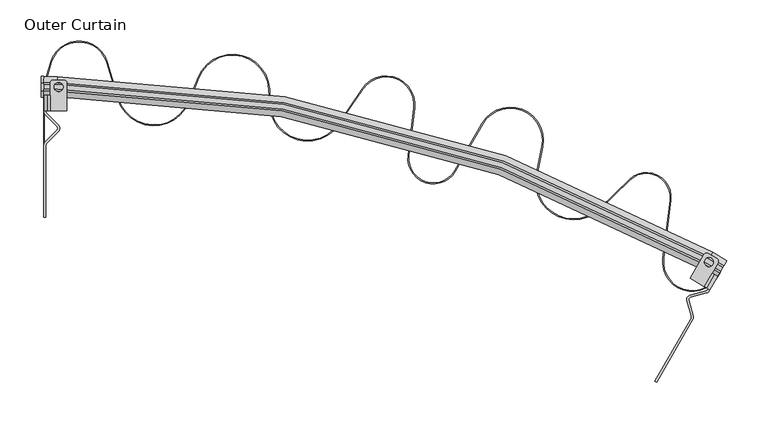
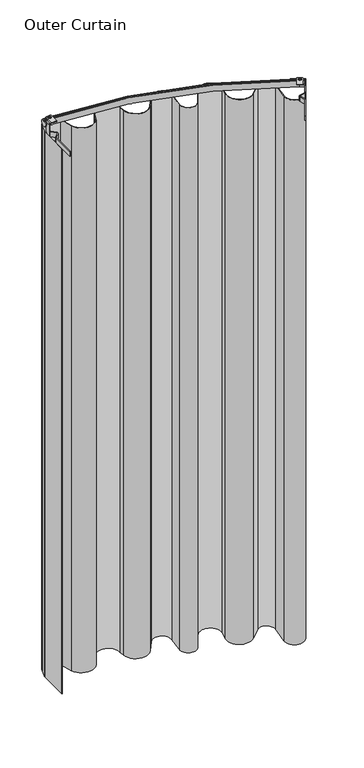
"""IFC4 building model written with IfcOpenShell, lengths in millimetres: furniture geometry, Outer Curtain."""

from ifc_helpers import new_model, si_unit, point, frame, frame_2d, origin, origin_with_axes, place, context, project, spatial, polyline, circle_curve, ellipse_curve, trimmed, segment, composite_curve, outline, extrude, source, transform, mapped, element, save
from ifc_brep_helpers import plane_surface, cylinder_surface, revolved_surface, advanced_brep


def outer_curtain_b9163352(model_context):
    return source(origin(), model_context, "Body", "SolidModel", [
        extrude(outline(composite_curve([segment(trimmed(circle_curve(frame_2d((42.5957984, 467.0599801)), 35.0), [point((76.1040809, 477.1691346))], [point((9.0875159, 477.1691346))], True, "CARTESIAN"), True, "CONTINUOUS"), segment(polyline([(9.0875159, 477.1691346), (1.3097895, 451.3887139)]), True, "CONTINUOUS"), segment(trimmed(circle_curve(frame_2d((19.5, 445.9008872)), 19.0), [point((1.3097895, 451.3887139))], [point((0.5, 445.9008872))], True, "CARTESIAN"), True, "CONTINUOUS"), segment(polyline([(0.5, 445.9008872), (0.5, 337.8741988), (-0.5, 337.8741988), (-0.5, 445.9008872)]), True, "CONTINUOUS"), segment(trimmed(circle_curve(frame_2d((19.5, 445.9008872)), 20.0), [point((-0.5, 445.9008872))], [point((0.35241, 451.6775469))], False, "CARTESIAN"), True, "CONTINUOUS"), segment(polyline([(0.35241, 451.6775469), (8.1301364, 477.4579676)]), True, "CONTINUOUS"), segment(trimmed(circle_curve(frame_2d((42.5957984, 467.0599801)), 36.0), [point((8.1301364, 477.4579676))], [point((77.0614604, 477.4579676))], False, "CARTESIAN"), True, "CONTINUOUS"), segment(polyline([(77.0614604, 477.4579676), (90.4160555, 433.1921939)]), True, "CONTINUOUS"), segment(trimmed(circle_curve(frame_2d((133.498133, 446.1896783)), 45.0), [point((90.4160555, 433.1921939))], [point((175.2214064, 429.3323816))], True, "CARTESIAN"), True, "CONTINUOUS"), segment(polyline([(175.2214064, 429.3323816), (187.1951251, 458.9683753)]), True, "CONTINUOUS"), segment(trimmed(circle_curve(frame_2d((228.9183986, 442.1110786)), 45.0), [point((187.1951251, 458.9683753))], [point((273.8509021, 444.5748418))], False, "CARTESIAN"), True, "CONTINUOUS"), segment(polyline([(273.8509021, 444.5748418), (274.9175266, 425.1224404)]), True, "CONTINUOUS"), segment(trimmed(circle_curve(frame_2d((319.8500301, 427.5862037)), 45.0), [point((274.9175266, 425.1224404))], [point((357.1272127, 402.3788304))], True, "CARTESIAN"), True, "CONTINUOUS"), segment(polyline([(357.1272127, 402.3788304), (386.1550371, 445.3057749)]), True, "CONTINUOUS"), segment(trimmed(circle_curve(frame_2d((415.1484012, 425.7000401)), 35.0), [point((386.1550371, 445.3057749))], [point((449.882938, 421.3974875))], False, "CARTESIAN"), True, "CONTINUOUS"), segment(polyline([(449.882938, 421.3974875), (442.8274517, 364.4384983)]), True, "CONTINUOUS"), segment(trimmed(circle_curve(frame_2d((472.5999118, 360.7505961)), 30.0), [point((442.8274517, 364.4384983))], [point((498.5806739, 345.7505961))], True, "CARTESIAN"), True, "CONTINUOUS"), segment(polyline([(498.5806739, 345.7505961), (531.439005, 402.662895)]), True, "CONTINUOUS"), segment(trimmed(circle_curve(frame_2d((566.0800211, 382.662895)), 40.0), [point((531.439005, 402.662895))], [point((605.2774923, 374.6905522))], False, "CARTESIAN"), True, "CONTINUOUS"), segment(polyline([(605.2774923, 374.6905522), (598.4586195, 341.1643256)]), True, "CONTINUOUS"), segment(trimmed(circle_curve(frame_2d((642.5557746, 332.1954399)), 45.0), [point((598.4586195, 341.1643256))], [point((673.833081, 299.8422314))], True, "CARTESIAN"), True, "CONTINUOUS"), segment(polyline([(673.833081, 299.8422314), (710.1607908, 334.9618676)]), True, "CONTINUOUS"), segment(trimmed(circle_curve(frame_2d((731.0123285, 313.3930619)), 30.0), [point((710.1607908, 334.9618676))], [point((760.7847885, 309.7051597))], False, "CARTESIAN"), True, "CONTINUOUS"), segment(polyline([(760.7847885, 309.7051597), (752.0934658, 239.5400517)]), True, "CONTINUOUS"), segment(trimmed(circle_curve(frame_2d((786.8280026, 235.2374991)), 35.0), [point((752.0934658, 239.5400517))], [point((817.1388917, 217.7374991))], True, "CARTESIAN"), True, "CONTINUOUS"), segment(polyline([(817.1388917, 217.7374991), (819.7915966, 222.3321188), (820.657622, 221.8321188), (818.0049171, 217.2374991)]), True, "CONTINUOUS"), segment(trimmed(circle_curve(frame_2d((786.8280026, 235.2374991)), 36.0), [point((818.0049171, 217.2374991))], [point((751.1010505, 239.6629818))], False, "CARTESIAN"), True, "CONTINUOUS"), segment(polyline([(751.1010505, 239.6629818), (759.7923732, 309.8280898)]), True, "CONTINUOUS"), segment(trimmed(circle_curve(frame_2d((731.0123285, 313.3930619)), 29.0), [point((759.7923732, 309.8280898))], [point((710.8558421, 334.2429074))], True, "CARTESIAN"), True, "CONTINUOUS"), segment(polyline([(710.8558421, 334.2429074), (674.5281323, 299.1232712)]), True, "CONTINUOUS"), segment(trimmed(circle_curve(frame_2d((642.5557746, 332.1954399)), 46.0), [point((674.5281323, 299.1232712))], [point((597.4786827, 341.3636342))], False, "CARTESIAN"), True, "CONTINUOUS"), segment(polyline([(597.4786827, 341.3636342), (604.2975556, 374.8898607)]), True, "CONTINUOUS"), segment(trimmed(circle_curve(frame_2d((566.0800211, 382.662895)), 39.0), [point((604.2975556, 374.8898607))], [point((532.3050304, 402.162895))], True, "CARTESIAN"), True, "CONTINUOUS"), segment(polyline([(532.3050304, 402.162895), (499.4466993, 345.2505961)]), True, "CONTINUOUS"), segment(trimmed(circle_curve(frame_2d((472.5999118, 360.7505961)), 31.0), [point((499.4466993, 345.2505961))], [point((441.8350364, 364.5614284))], False, "CARTESIAN"), True, "CONTINUOUS"), segment(polyline([(441.8350364, 364.5614284), (448.8905226, 421.5204176)]), True, "CONTINUOUS"), segment(trimmed(circle_curve(frame_2d((415.1484012, 425.7000401)), 34.0), [point((448.8905226, 421.5204176))], [point((386.9834189, 444.745611))], True, "CARTESIAN"), True, "CONTINUOUS"), segment(polyline([(386.9834189, 444.745611), (357.9555945, 401.8186666)]), True, "CONTINUOUS"), segment(trimmed(circle_curve(frame_2d((319.8500301, 427.5862037)), 46.0), [point((357.9555945, 401.8186666))], [point((273.9190266, 425.0676902))], False, "CARTESIAN"), True, "CONTINUOUS"), segment(polyline([(273.9190266, 425.0676902), (272.852402, 444.5200915)]), True, "CONTINUOUS"), segment(trimmed(circle_curve(frame_2d((228.9183986, 442.1110786)), 44.0), [point((272.852402, 444.5200915))], [point((188.122309, 458.5937687))], True, "CARTESIAN"), True, "CONTINUOUS"), segment(polyline([(188.122309, 458.5937687), (176.1485903, 428.957775)]), True, "CONTINUOUS"), segment(trimmed(circle_curve(frame_2d((133.498133, 446.1896783)), 46.0), [point((176.1485903, 428.957775))], [point((89.458676, 432.9033609))], False, "CARTESIAN"), True, "CONTINUOUS"), segment(polyline([(89.458676, 432.9033609), (76.1040809, 477.1691346)]), True, "CONTINUOUS")], self_intersect=False)), origin_with_axes(), (0.0, 0.0, 1.0), 2097.5013525),
        extrude(outline(composite_curve([segment(polyline([(340.8986475, 0.0), (340.8986475, -5.5297915)]), True, "CONTINUOUS"), segment(trimmed(circle_curve(frame_2d((327.6985931, -5.5297915)), 13.2000544), [point((340.8986475, -5.5297915))], [point((327.6985931, -18.7298459))], False, "CARTESIAN"), True, "CONTINUOUS"), segment(polyline([(327.6985931, -18.7298459), (314.449003, -18.7298459)]), True, "CONTINUOUS"), segment(trimmed(circle_curve(frame_2d((306.6253516, -28.3883996)), 12.4296895), [point((314.449003, -18.7298459))], [point((298.6840186, -18.8263699))], True, "CARTESIAN"), True, "CONTINUOUS"), segment(polyline([(298.6840186, -18.8263699), (298.6840186, 0.0), (340.8986475, 0.0)]), True, "CONTINUOUS")], self_intersect=False)), frame((808.1824004, 201.2243016, 2438.4), z_axis=(-0.8660254041587455, 0.49999999935168166, 0.0), x_axis=(0.0, 0.0, -1.0)), (0.0, 0.0, 1.0), 2.45),
        extrude(outline(composite_curve([segment(trimmed(circle_curve(frame_2d((780.5221736, 168.2153832)), 5.0), [point((784.8523006, 165.7153832))], [point((785.3486237, 169.5212849))], True, "CARTESIAN"), True, "CONTINUOUS"), segment(polyline([(785.3486237, 169.5212849), (780.2499341, 188.3654079)]), True, "CONTINUOUS"), segment(trimmed(circle_curve(frame_2d((785.0763843, 189.6713096)), 5.0), [point((780.2499341, 188.3654079))], [point((783.7705027, 194.4977651))], False, "CARTESIAN"), True, "CONTINUOUS"), segment(polyline([(783.7705027, 194.4977651), (803.7503841, 199.9036698)]), True, "CONTINUOUS"), segment(trimmed(circle_curve(frame_2d((803.0974433, 202.3168976)), 2.5), [point((803.7503841, 199.9036698))], [point((805.2625069, 201.0668976))], True, "CARTESIAN"), True, "CONTINUOUS"), segment(polyline([(805.2625069, 201.0668976), (806.0606382, 202.4493016), (808.1824004, 201.2243016), (807.3945887, 199.8597717)]), True, "CONTINUOUS"), segment(trimmed(circle_curve(frame_2d((803.0644617, 202.3597717)), 5.0), [point((807.3945887, 199.8597717))], [point((804.3703432, 197.5333161))], False, "CARTESIAN"), True, "CONTINUOUS"), segment(polyline([(804.3703432, 197.5333161), (784.3621199, 192.119743)]), True, "CONTINUOUS"), segment(trimmed(circle_curve(frame_2d((785.0150607, 189.7065152)), 2.5), [point((784.3621199, 192.119743))], [point((782.6018356, 189.0535644))], True, "CARTESIAN"), True, "CONTINUOUS"), segment(polyline([(782.6018356, 189.0535644), (787.9795532, 169.1781885)]), True, "CONTINUOUS"), segment(trimmed(circle_curve(frame_2d((783.1531031, 167.8722868)), 5.0), [point((787.9795532, 169.1781885))], [point((787.4832301, 165.3722868))], False, "CARTESIAN"), True, "CONTINUOUS"), segment(polyline([(787.4832301, 165.3722868), (743.4550059, 89.1131655), (741.3332437, 90.3381655), (784.8523006, 165.7153832)]), True, "CONTINUOUS")], self_intersect=False)), frame((0.0, 0.0, 2097.5013525), z_axis=(0.0, 0.0, 1.0), x_axis=(1.0, 0.0, 0.0)), (0.0, 0.0, 1.0), 18.8933106),
        extrude(outline(composite_curve([segment(polyline([(2.45, 0.0), (2.45, -1.5759522)]), True, "CONTINUOUS"), segment(trimmed(circle_curve(frame_2d((-2.2594196, -1.5759522)), 4.7094196), [point((2.45, -1.5759522))], [point((-2.2594196, -6.2853718))], False, "CARTESIAN"), True, "CONTINUOUS"), segment(polyline([(-2.2594196, -6.2853718), (-5.3457178, -6.2853718), (-5.3457178, -3.8354214), (-2.7023301, -3.8354214)]), True, "CONTINUOUS"), segment(trimmed(circle_curve(frame_2d((-2.7023301, -1.1330913)), 2.7023301), [point((-2.7023301, -3.8354214))], [point((0.0, -1.1330913))], True, "CARTESIAN"), True, "CONTINUOUS"), segment(polyline([(0.0, -1.1330913), (0.0, 0.0), (2.45, 0.0)]), True, "CONTINUOUS")], self_intersect=False)), frame((806.0606382, 202.4493016, 2139.7159814), z_axis=(0.4999999993516811, 0.8660254041587457, 0.0), x_axis=(0.8660254041587457, -0.4999999993516811, 0.0)), (0.0, 0.0, 1.0), 18.7298458),
        extrude(outline(composite_curve([segment(polyline([(801.4311108, 205.1221605), (784.1106027, 215.1221605), (800.7342244, 243.915118)]), True, "CONTINUOUS"), segment(trimmed(circle_curve(frame_2d((803.9842234, 242.0387302)), 3.7527756), [point((800.7342244, 243.915118))], [point((805.8502397, 245.2946951))], False, "CARTESIAN"), True, "CONTINUOUS"), segment(polyline([(805.8502397, 245.2946951), (816.3907074, 239.2091533)]), True, "CONTINUOUS"), segment(trimmed(circle_curve(frame_2d((814.816152, 235.8057322)), 3.75), [point((816.3907074, 239.2091533))], [point((818.0637473, 233.9307322))], False, "CARTESIAN"), True, "CONTINUOUS"), segment(polyline([(818.0637473, 233.9307322), (801.4311108, 205.1221605)]), True, "CONTINUOUS")], self_intersect=False), holes=[composite_curve([segment(trimmed(circle_curve(frame_2d((807.0144732, 234.7928281)), 5.4886758), [point((811.7678059, 232.0484902))], [point((802.2611405, 237.537166))], True, "CARTESIAN"), True, "CONTINUOUS"), segment(trimmed(circle_curve(frame_2d((807.0144732, 234.7928281)), 5.4886758), [point((802.2611405, 237.537166))], [point((811.7678059, 232.0484902))], True, "CARTESIAN"), True, "CONTINUOUS")], self_intersect=False)]), frame((0.0, 0.0, 2143.5514028), z_axis=(0.0, 0.0, 1.0), x_axis=(1.0, 0.0, 0.0)), (0.0, 0.0, 1.0), 2.4499504),
        advanced_brep(
        [(0.0, 442.4224847, 2120.279958), (0.0, 442.4224847, 2143.2693388), (0.0, 444.4967404, 2143.2693388), (0.0, 444.4967404, 2141.8304958), (0.0, 450.509432, 2141.8304958), (0.0, 450.509432, 2143.2693388), (0.0, 452.5106226, 2143.2693388), (0.0, 452.5106226, 2120.279958), (16.273869, 442.4224847, 2120.279958), (16.273869, 442.4224847, 2143.2693388), (802.8348362, 231.6641087, 2143.2693388), (820.0263326, 221.7385937, 2143.2693388), (821.0634604, 223.5349518, 2143.2693388), (803.871964, 233.4604668, 2143.2693388), (16.273869, 444.4967404, 2143.2693388), (16.273869, 444.4967404, 2141.8304958), (803.871964, 233.4604668, 2141.8304958), (821.0634604, 223.5349518, 2141.8304958), (824.0698063, 228.7420955, 2141.8304958), (806.8783099, 238.6676106, 2141.8304958), (16.273869, 450.509432, 2141.8304958), (16.273869, 450.509432, 2143.2693388), (806.8783099, 238.6676106, 2143.2693388), (824.0698063, 228.7420955, 2143.2693388), (825.0704015, 230.4751773, 2143.2693388), (807.8789051, 240.4006924, 2143.2693388), (16.273869, 452.5106226, 2143.2693388), (16.273869, 452.5106226, 2120.279958), (807.8789051, 240.4006924, 2120.279958), (825.0704015, 230.4751773, 2120.279958), (820.0263326, 221.7385937, 2120.279958), (802.8348362, 231.6641087, 2120.279958)],
        [
            (0, 1, circle_curve(frame((0.0, 447.9278494, 2131.7746484), z_axis=(-1.0, 0.0, 0.0), x_axis=(0.0, -1.0, 0.0)), 12.7450754)),
            (1, 2),
            (2, 3),
            (3, 4),
            (4, 5),
            (5, 6),
            (6, 7, circle_curve(frame((0.0, 447.1329645, 2131.7746484), z_axis=(-1.0, 0.0, 0.0), x_axis=(0.0, -1.0, 0.0)), 12.6904339)),
            (7, 0),
            (0, 8),
            (8, 9, circle_curve(frame((16.273869, 447.9278494, 2131.7746484), z_axis=(-1.0, 0.0, 0.0), x_axis=(0.0, -1.0, 0.0)), 12.7450754)),
            (9, 1),
            (9, 10, circle_curve(frame((16.273869, -1130.6994497, 2143.2693388), z_axis=(0.0, 0.0, -1.0), x_axis=(0.0, 1.0, 0.0)), 1573.1219344)),
            (10, 11),
            (11, 12),
            (12, 13),
            (13, 14, circle_curve(frame((16.273869, -1130.6994497, 2143.2693388), z_axis=(0.0, 0.0, 1.0), x_axis=(0.0, 1.0, 0.0)), 1575.1961901)),
            (14, 2),
            (14, 15),
            (15, 3),
            (15, 16, circle_curve(frame((16.273869, -1130.6994497, 2141.8304958), z_axis=(0.0, 0.0, -1.0), x_axis=(0.0, 1.0, 0.0)), 1575.1961901)),
            (16, 17),
            (17, 18),
            (18, 19),
            (19, 20, circle_curve(frame((16.273869, -1130.6994497, 2141.8304958), z_axis=(0.0, 0.0, 1.0), x_axis=(0.0, 1.0, 0.0)), 1581.2088818)),
            (20, 4),
            (20, 21),
            (21, 5),
            (21, 22, circle_curve(frame((16.273869, -1130.6994497, 2143.2693388), z_axis=(0.0, 0.0, -1.0), x_axis=(0.0, 1.0, 0.0)), 1581.2088818)),
            (22, 23),
            (23, 24),
            (24, 25),
            (25, 26, circle_curve(frame((16.273869, -1130.6994497, 2143.2693388), z_axis=(0.0, 0.0, 1.0), x_axis=(0.0, 1.0, 0.0)), 1583.2100723)),
            (26, 6),
            (26, 27, circle_curve(frame((16.273869, 447.1329645, 2131.7746484), z_axis=(-1.0, 0.0, 0.0), x_axis=(0.0, -1.0, 0.0)), 12.6904339)),
            (27, 7),
            (27, 28, circle_curve(frame((16.273869, -1130.6994497, 2120.279958), z_axis=(0.0, 0.0, -1.0), x_axis=(0.0, 1.0, 0.0)), 1583.2100723)),
            (28, 29),
            (29, 30),
            (30, 31),
            (31, 8, circle_curve(frame((16.273869, -1130.6994497, 2120.279958), z_axis=(0.0, 0.0, 1.0), x_axis=(0.0, 1.0, 0.0)), 1573.1219344)),
            (31, 10, circle_curve(frame((805.5875185, 236.4318944, 2131.7746484), z_axis=(-0.8660254037844397, 0.4999999999999981, 0.0), x_axis=(-0.4999999999999981, -0.8660254037844397, 0.0)), 12.7450754)),
            (13, 16),
            (19, 22),
            (25, 28, circle_curve(frame((805.1900761, 235.7435039, 2131.7746484), z_axis=(-0.8660254037844397, 0.4999999999999981, 0.0), x_axis=(-0.4999999999999981, -0.8660254037844397, 0.0)), 12.6904339)),
            (29, 24, circle_curve(frame((822.3815725, 225.8179888, 2131.7746484), z_axis=(0.8660254037844363, -0.5000000000000042, 0.0), x_axis=(-0.5000000000000042, -0.8660254037844363, 0.0)), 12.6904339)),
            (23, 18),
            (17, 12),
            (11, 30, circle_curve(frame((822.7790149, 226.5063793, 2131.7746484), z_axis=(0.8660254037844363, -0.5000000000000042, 0.0), x_axis=(-0.5000000000000042, -0.8660254037844363, 0.0)), 12.7450754)),
        ],
        [
            plane_surface(frame((0.0, 447.5030862, 0.0), z_axis=(-1.0, 0.0, 0.0), x_axis=(0.0, 0.0, 1.0))),
            cylinder_surface(frame((0.0, 447.9278494, 2131.7746484), z_axis=(-1.0, 0.0, 0.0), x_axis=(0.0, -1.0, 0.0)), 12.7450754),
            plane_surface(frame((0.0, 442.4224847, 2143.2693388), z_axis=(0.0, 0.0, 1.0), x_axis=(1.0, 0.0, 0.0))),
            plane_surface(frame((0.0, 444.4967404, 2143.2693388), z_axis=(0.0, 1.0, 0.0), x_axis=(1.0, 0.0, 0.0))),
            plane_surface(frame((0.0, 444.4967404, 2141.8304958), z_axis=(0.0, 0.0, 1.0), x_axis=(1.0, 0.0, 0.0))),
            plane_surface(frame((0.0, 450.509432, 2141.8304958), z_axis=(0.0, -1.0, 0.0), x_axis=(1.0, 0.0, 0.0))),
            plane_surface(frame((0.0, 450.509432, 2143.2693388), z_axis=(0.0, 0.0, 1.0), x_axis=(1.0, 0.0, 0.0))),
            cylinder_surface(frame((0.0, 447.1329645, 2131.7746484), z_axis=(-1.0, 0.0, 0.0), x_axis=(0.0, -1.0, 0.0)), 12.6904339),
            plane_surface(frame((0.0, 452.5106226, 2120.279958), z_axis=(0.0, 0.0, -1.0), x_axis=(1.0, 0.0, 0.0))),
            revolved_surface(trimmed(ellipse_curve(frame((16.273869, 447.9278494, 2131.7746484), z_axis=(-1.0, 0.0, 0.0), x_axis=(0.0, -1.0, 0.0)), 12.7450754, 12.7450754), [point((16.273869, 442.4224847, 2120.279958))], [point((16.273869, 442.4224847, 2143.2693388))], True, "CARTESIAN"), (16.273869, -1130.6994497, 0.0), (0.0, 0.0, -1.0)),
            cylinder_surface(frame((16.273869, -1130.6994497, 0.0), z_axis=(0.0, 0.0, -1.0), x_axis=(0.0, 1.0, 0.0)), 1575.1961901),
            revolved_surface(polyline([(16.273869, 450.5094320999999, 2141.8304958), (16.273869, 450.5094320999999, 2143.2693388)]), (16.273869, -1130.6994497, 0.0), (0.0, 0.0, -1.0)),
            revolved_surface(trimmed(ellipse_curve(frame((16.273869, 447.1329645, 2131.7746484), z_axis=(-1.0, 0.0, 0.0), x_axis=(0.0, -1.0, 0.0)), 12.6904339, 12.6904339), [point((16.273869, 452.5106226, 2143.2693388))], [point((16.273869, 452.5106226, 2120.279958))], True, "CARTESIAN"), (16.273869, -1130.6994497, 0.0), (0.0, 0.0, -1.0)),
            plane_surface(frame((822.5666333, 226.1385236, 0.0), z_axis=(0.8660254037844365, -0.5000000000000038, 0.0), x_axis=(0.0, 0.0, 1.0))),
            cylinder_surface(frame((805.5875185, 236.4318944, 2131.7746484), z_axis=(-0.8660254037844363, 0.5000000000000042, 0.0), x_axis=(-0.5000000000000042, -0.8660254037844363, 0.0)), 12.7450754),
            plane_surface(frame((803.871964, 233.4604668, 2143.2693388), z_axis=(0.5000000000000122, 0.8660254037844317, 0.0), x_axis=(0.8660254037844317, -0.5000000000000122, 0.0))),
            plane_surface(frame((806.8783099, 238.6676106, 2141.8304958), z_axis=(-0.49999999999999906, -0.8660254037844393, 0.0), x_axis=(0.8660254037844393, -0.49999999999999906, 0.0))),
            cylinder_surface(frame((805.1900761, 235.7435039, 2131.7746484), z_axis=(-0.8660254037844363, 0.5000000000000042, 0.0), x_axis=(-0.5000000000000042, -0.8660254037844363, 0.0)), 12.6904339),
        ],
        [
            (0, [[1, 2, 3, 4, 5, 6, 7, 8]]),
            (1, [[-1, 9, 10, 11]]),
            (2, [[-2, -11, 12, 13, 14, 15, 16, 17]]),
            (3, [[-3, -17, 18, 19]]),
            (4, [[-4, -19, 20, 21, 22, 23, 24, 25]]),
            (5, [[-5, -25, 26, 27]]),
            (6, [[-6, -27, 28, 29, 30, 31, 32, 33]]),
            (7, [[-7, -33, 34, 35]]),
            (8, [[-8, -35, 36, 37, 38, 39, 40, -9]]),
            (9, [[-12, -10, -40, 41]]),
            (10, [[-20, -18, -16, 42]]),
            (11, [[-28, -26, -24, 43]]),
            (12, [[-36, -34, -32, 44]]),
            (13, [[-38, 45, -30, 46, -22, 47, -14, 48]]),
            (14, [[-41, -39, -48, -13]]),
            (15, [[-42, -15, -47, -21]]),
            (16, [[-43, -23, -46, -29]]),
            (17, [[-44, -31, -45, -37]]),
        ],
    ),
        extrude(outline(composite_curve([segment(polyline([(418.7637019, 2097.5013525), (418.7637019, 2139.7159814), (437.5900717, 2139.7159814)]), True, "CONTINUOUS"), segment(trimmed(circle_curve(frame_2d((447.1521014, 2131.7746484)), 12.4296895), [point((437.5900717, 2139.7159814))], [point((437.4935477, 2123.950997))], True, "CARTESIAN"), True, "CONTINUOUS"), segment(polyline([(437.4935477, 2123.950997), (437.4935477, 2110.7014069)]), True, "CONTINUOUS"), segment(trimmed(circle_curve(frame_2d((424.2934933, 2110.7014069)), 13.2000544), [point((437.4935477, 2110.7014069))], [point((424.2934933, 2097.5013525))], False, "CARTESIAN"), True, "CONTINUOUS"), segment(polyline([(424.2934933, 2097.5013525), (418.7637019, 2097.5013525)]), True, "CONTINUOUS")], self_intersect=False)), frame((0.0, 0.0, 0.0), z_axis=(1.0, 0.0, 0.0), x_axis=(0.0, 1.0, 0.0)), (0.0, 0.0, 1.0), 2.45),
        extrude(outline(composite_curve([segment(polyline([(2.45, 376.3470266), (2.45, 289.3089127), (0.0, 289.3089127), (0.0, 377.3653611)]), True, "CONTINUOUS"), segment(trimmed(circle_curve(frame_2d((5.0, 377.3653611)), 5.0), [point((0.0, 377.3653611))], [point((1.4731224, 380.9095302))], False, "CARTESIAN"), True, "CONTINUOUS"), segment(polyline([(1.4731224, 380.9095302), (16.0680504, 395.4332519)]), True, "CONTINUOUS"), segment(trimmed(circle_curve(frame_2d((14.3046116, 397.2053364)), 2.5), [point((16.0680504, 395.4332519))], [point((16.0766888, 398.9687826))], True, "CARTESIAN"), True, "CONTINUOUS"), segment(polyline([(16.0766888, 398.9687826), (1.4558456, 413.661186)]), True, "CONTINUOUS"), segment(trimmed(circle_curve(frame_2d((5.0, 417.1880784)), 5.0), [point((1.4558456, 413.661186))], [point((0.0, 417.1880784))], False, "CARTESIAN"), True, "CONTINUOUS"), segment(polyline([(0.0, 417.1880784), (0.0, 418.7637019), (2.45, 418.7637019), (2.45, 417.1674392)]), True, "CONTINUOUS"), segment(trimmed(circle_curve(frame_2d((4.95, 417.1674392)), 2.5), [point((2.45, 417.1674392))], [point((3.1779228, 415.403993))], True, "CARTESIAN"), True, "CONTINUOUS"), segment(polyline([(3.1779228, 415.403993), (17.7780554, 400.7324015)]), True, "CONTINUOUS"), segment(trimmed(circle_curve(frame_2d((14.233901, 397.2055092)), 5.0), [point((17.7780554, 400.7324015))], [point((17.7607786, 393.6613401))], False, "CARTESIAN"), True, "CONTINUOUS"), segment(polyline([(17.7607786, 393.6613401), (3.9231224, 379.8911956)]), True, "CONTINUOUS"), segment(trimmed(circle_curve(frame_2d((7.45, 376.3470266)), 5.0), [point((3.9231224, 379.8911956))], [point((2.45, 376.3470266))], True, "CARTESIAN"), True, "CONTINUOUS")], self_intersect=False)), frame((0.0, 0.0, 2097.5013525), z_axis=(0.0, 0.0, 1.0), x_axis=(1.0, 0.0, 0.0)), (0.0, 0.0, 1.0), 18.8933106),
        extrude(outline(composite_curve([segment(polyline([(2139.7159814, 0.0), (2139.7159814, 2.45), (2140.8490727, 2.45)]), True, "CONTINUOUS"), segment(trimmed(circle_curve(frame_2d((2140.8490727, 5.1523301)), 2.7023301), [point((2140.8490727, 2.45))], [point((2143.5514028, 5.1523301))], True, "CARTESIAN"), True, "CONTINUOUS"), segment(polyline([(2143.5514028, 5.1523301), (2143.5514028, 7.7957178), (2146.0013532, 7.7957178), (2146.0013532, 4.7094196)]), True, "CONTINUOUS"), segment(trimmed(circle_curve(frame_2d((2141.2919336, 4.7094196)), 4.7094196), [point((2146.0013532, 4.7094196))], [point((2141.2919336, 0.0))], False, "CARTESIAN"), True, "CONTINUOUS"), segment(polyline([(2141.2919336, 0.0), (2139.7159814, 0.0)]), True, "CONTINUOUS")], self_intersect=False)), frame((0.0, 418.7637019, 0.0), z_axis=(0.0, 1.0, 0.0), x_axis=(0.0, 0.0, 1.0)), (0.0, 0.0, 1.0), 18.7298458),
        extrude(outline(composite_curve([segment(polyline([(7.7957178, 418.7637019), (7.7957178, 452.0289751)]), True, "CONTINUOUS"), segment(trimmed(circle_curve(frame_2d((11.5457178, 452.0289751)), 3.75), [point((7.7957178, 452.0289751))], [point((11.8838235, 455.7637019))], False, "CARTESIAN"), True, "CONTINUOUS"), segment(polyline([(11.8838235, 455.7637019), (24.0549072, 455.7637019)]), True, "CONTINUOUS"), segment(trimmed(circle_curve(frame_2d((24.0429423, 452.0109454)), 3.7527756), [point((24.0549072, 455.7637019))], [point((27.7957178, 452.0109454))], False, "CARTESIAN"), True, "CONTINUOUS"), segment(polyline([(27.7957178, 452.0109454), (27.7957178, 418.7637019), (7.7957178, 418.7637019)]), True, "CONTINUOUS")], self_intersect=False), holes=[composite_curve([segment(trimmed(circle_curve(frame_2d((17.7957178, 447.250935)), 5.4886758), [point((12.307042, 447.250935))], [point((23.2843937, 447.250935))], True, "CARTESIAN"), True, "CONTINUOUS"), segment(trimmed(circle_curve(frame_2d((17.7957178, 447.250935)), 5.4886758), [point((23.2843937, 447.250935))], [point((12.307042, 447.250935))], True, "CARTESIAN"), True, "CONTINUOUS")], self_intersect=False)]), frame((0.0, 0.0, 2143.5514028), z_axis=(0.0, 0.0, 1.0), x_axis=(1.0, 0.0, 0.0)), (0.0, 0.0, 1.0), 2.4499504),
        extrude(outline(composite_curve([segment(trimmed(circle_curve(frame_2d((447.7810059, 2131.7746484)), 12.4296895), [point((452.5106226, 2143.2693388))], [point((452.5106226, 2120.279958))], False, "CARTESIAN"), True, "CONTINUOUS"), segment(polyline([(452.5106226, 2120.279958), (442.4224847, 2120.279958)]), True, "CONTINUOUS"), segment(trimmed(circle_curve(frame_2d((447.1521014, 2131.7746484)), 12.4296895), [point((442.4224847, 2120.279958))], [point((442.4224847, 2143.2693388))], False, "CARTESIAN"), True, "CONTINUOUS"), segment(polyline([(442.4224847, 2143.2693388), (452.5106226, 2143.2693388)]), True, "CONTINUOUS")], self_intersect=False), holes=[polyline([(444.7283941, 2138.8304973), (446.1685769, 2138.8304973), (446.1685769, 2141.8304958), (444.7283941, 2141.8304958), (444.7283941, 2138.8304973)]), polyline([(449.7178969, 2141.8304958), (448.0886223, 2141.8304958), (448.0886223, 2138.8304973), (449.7178969, 2138.8304973), (449.7178969, 2141.8304958)])]), frame((-3.3276171, 0.0, 0.0), z_axis=(1.0, 0.0, 0.0), x_axis=(0.0, 1.0, 0.0)), (0.0, 0.0, 1.0), 3.3276171),
    ])


if __name__ == "__main__":
    model = new_model("IFC4")
    model_context = context("Model", 3, world=origin())
    ifc_project = project(units=[si_unit("LENGTHUNIT", "METRE", prefix="MILLI")], contexts=[model_context])
    site = spatial("IfcSite", under=ifc_project)
    building = spatial("IfcBuilding", under=site)
    placement = place(None, origin())
    outer_curtain_shape = outer_curtain_b9163352(model_context)
    element("IfcFurniture", 1, ObjectType="Outer Curtain", at=placement, inside=building, context=model_context, shape_type="MappedRepresentation", body=[
        mapped(outer_curtain_shape, transform((0.0, 0.0, 0.0), x_axis=(1.0, 0.0, 0.0), y_axis=(0.0, 1.0, 0.0), z_axis=(0.0, 0.0, 1.0))),
    ])
    save(model, "model.ifc")
